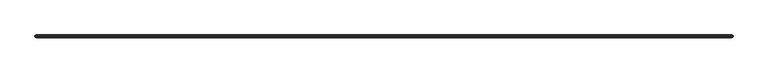
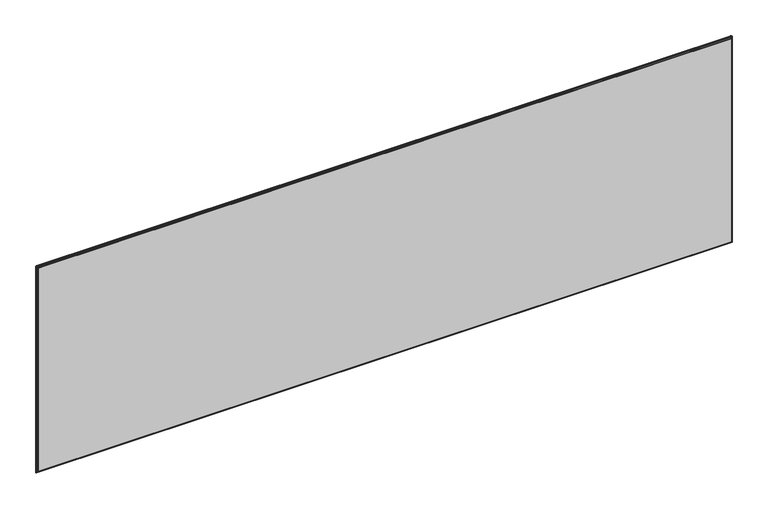
"""IFC4 building model written with IfcOpenShell, lengths in millimetres: furniture geometry."""

from ifc_helpers import new_model, si_unit, frame, origin, place, context, project, spatial, polyline, ellipse_curve, outline, extrude, source, transform, mapped, element, save
from ifc_brep_helpers import plane_surface, cylinder_surface, advanced_brep


def furniture_dd3eaca6(model_context):
    return source(origin(), model_context, "Body", "SolidModel", [
        advanced_brep(
        [(6.4770433, -35.9608478, 1032.9162429), (6.4770433, -42.3108478, 1032.9162429), (6.4770433, -42.3108478, 517.1591915), (6.4770433, -35.9608478, 517.1591915), (2.4130433, -39.7153692, 1034.9959291), (2.4130433, -38.5563263, 1034.9959291), (2.4130433, -38.5563263, 515.0795054), (2.4130433, -39.7153692, 515.0795054), (1669.9229567, -42.3108478, 517.1591915), (1669.9229567, -35.9608478, 517.1591915), (1672.0914783, -38.5563263, 513.0951915), (1672.0914783, -39.7153692, 513.0951915), (4.3085217, -39.7153692, 513.0951915), (4.3085217, -38.5563263, 513.0951915), (1669.9229567, -42.3108478, 1032.9162429), (1669.9229567, -35.9608478, 1032.9162429), (1673.9869567, -38.5563263, 1034.9959291), (1673.9869567, -39.7153692, 1034.9959291), (1673.9869567, -39.7153692, 515.0795054), (1673.9869567, -38.5563263, 515.0795054), (5.6165215, -42.3108478, 516.2986697), (1670.7834785, -42.3108478, 516.2986697), (1670.7834785, -42.3108478, 1033.7767647), (5.6165215, -42.3108478, 1033.7767647), (5.6165215, -35.9608478, 1033.7767647), (1670.7834785, -35.9608478, 1033.7767647), (1670.7834785, -35.9608478, 516.2986697), (5.6165215, -35.9608478, 516.2986697), (4.3085217, -38.5563263, 1036.9802429), (4.3085217, -39.7153692, 1036.9802429), (1672.0914783, -39.7153692, 1036.9802429), (1672.0914783, -38.5563263, 1036.9802429), (3.3646603, -37.0109079, 514.0468086), (3.3646603, -37.0109079, 1036.0286259), (2.9938046, -37.6131746, 513.6759528), (2.9938046, -37.6131746, 1036.3994816), (3.3646603, -41.2607877, 514.0468086), (3.3646603, -41.2607877, 1036.0286259), (2.9938046, -40.6585209, 1036.3994816), (2.9938046, -40.6585209, 513.6759528), (1673.0353397, -37.0109079, 514.0468086), (1673.4061954, -37.6131746, 513.6759528), (1673.0353397, -41.2607877, 514.0468086), (1673.4061954, -40.6585209, 513.6759528), (1673.0353397, -37.0109079, 1036.0286259), (1673.4061954, -37.6131746, 1036.3994816), (1673.0353397, -41.2607877, 1036.0286259), (1673.4061954, -40.6585209, 1036.3994816)],
        [
            (0, 1),
            (1, 2),
            (2, 3),
            (3, 0),
            (4, 5),
            (5, 6),
            (6, 7),
            (7, 4),
            (2, 8),
            (8, 9),
            (9, 3),
            (10, 11),
            (11, 12),
            (12, 13),
            (13, 10),
            (8, 14),
            (14, 15),
            (15, 9),
            (16, 17),
            (17, 18),
            (18, 19),
            (19, 16),
            (20, 21),
            (21, 22),
            (22, 23),
            (23, 20),
            (1, 14),
            (0, 15),
            (24, 25),
            (25, 26),
            (26, 27),
            (27, 24),
            (28, 29),
            (29, 30),
            (30, 31),
            (31, 28),
            (27, 32),
            (32, 33),
            (33, 24),
            (32, 34),
            (34, 6, ellipse_curve(frame((4.3994389, -35.3304359, 515.0795054), z_axis=(-0.8515131025137694, 0.5243333255166744, 0.0), x_axis=(0.5243333255166744, 0.8515131025137693, 0.0)), 3.7884214, 1.9863956)),
            (5, 35, ellipse_curve(frame((4.3994389, -35.3304359, 1034.9959291), z_axis=(-0.8515131025137694, 0.5243333255166744, 0.0), x_axis=(0.5243333255166744, 0.8515131025137693, 0.0)), 3.7884214, 1.9863956)),
            (35, 33),
            (36, 37),
            (37, 38),
            (38, 4, ellipse_curve(frame((4.3994389, -42.9412597, 1034.9959291), z_axis=(-0.8515131025143394, -0.5243333255157487, 0.0), x_axis=(-0.5243333255157487, 0.8515131025143393, 0.0)), 3.7884214, 1.9863956)),
            (7, 39, ellipse_curve(frame((4.3994389, -42.9412597, 515.0795054), z_axis=(-0.8515131025143394, -0.5243333255157487, 0.0), x_axis=(-0.5243333255157487, 0.8515131025143393, 0.0)), 3.7884214, 1.9863956)),
            (39, 36),
            (23, 37),
            (36, 20),
            (26, 40),
            (40, 32),
            (40, 41),
            (41, 10, ellipse_curve(frame((1672.0005611, -35.3338166, 515.0795054), z_axis=(0.0, 0.5243333255167165, -0.8515131025137436), x_axis=(0.0, 0.8515131025137436, 0.5243333255167166)), 3.7884214, 1.9863956)),
            (13, 34, ellipse_curve(frame((4.3994389, -35.3338166, 515.0795054), z_axis=(0.0, 0.5243333255167165, -0.8515131025137436), x_axis=(0.0, 0.8515131025137436, 0.5243333255167166)), 3.7884214, 1.9863956)),
            (42, 36),
            (39, 12, ellipse_curve(frame((4.3994389, -42.937879, 515.0795054), z_axis=(0.0, -0.5243333255157067, -0.8515131025143653), x_axis=(0.0, 0.8515131025143653, -0.5243333255157067)), 3.7884214, 1.9863956)),
            (11, 43, ellipse_curve(frame((1672.0005611, -42.937879, 515.0795054), z_axis=(0.0, -0.5243333255157067, -0.8515131025143653), x_axis=(0.0, 0.8515131025143653, -0.5243333255157067)), 3.7884214, 1.9863956)),
            (43, 42),
            (42, 21),
            (25, 44),
            (44, 40),
            (44, 45),
            (45, 16, ellipse_curve(frame((1672.0005611, -35.3304359, 1034.9959291), z_axis=(0.8515131025137694, 0.5243333255166744, 0.0), x_axis=(-0.5243333255166744, 0.8515131025137693, 0.0)), 3.7884214, 1.9863956)),
            (19, 41, ellipse_curve(frame((1672.0005611, -35.3304359, 515.0795054), z_axis=(0.8515131025137694, 0.5243333255166744, 0.0), x_axis=(-0.5243333255166744, 0.8515131025137693, 0.0)), 3.7884214, 1.9863956)),
            (46, 42),
            (43, 18, ellipse_curve(frame((1672.0005611, -42.9412597, 515.0795054), z_axis=(0.8515131025143394, -0.5243333255157487, 0.0), x_axis=(0.5243333255157487, 0.8515131025143393, 0.0)), 3.7884214, 1.9863956)),
            (17, 47, ellipse_curve(frame((1672.0005611, -42.9412597, 1034.9959291), z_axis=(0.8515131025143394, -0.5243333255157487, 0.0), x_axis=(0.5243333255157487, 0.8515131025143393, 0.0)), 3.7884214, 1.9863956)),
            (47, 46),
            (46, 22),
            (33, 44),
            (35, 28, ellipse_curve(frame((4.3994389, -35.3338166, 1034.9959291), z_axis=(0.0, 0.5243333255166324, 0.8515131025137953), x_axis=(0.0, 0.8515131025137953, -0.5243333255166324)), 3.7884214, 1.9863956)),
            (31, 45, ellipse_curve(frame((1672.0005611, -35.3338166, 1034.9959291), z_axis=(0.0, 0.5243333255166324, 0.8515131025137953), x_axis=(0.0, 0.8515131025137953, -0.5243333255166324)), 3.7884214, 1.9863956)),
            (37, 46),
            (47, 30, ellipse_curve(frame((1672.0005611, -42.937879, 1034.9959291), z_axis=(0.0, -0.5243333255157908, 0.8515131025143136), x_axis=(0.0, 0.8515131025143136, 0.5243333255157908)), 3.7884214, 1.9863956)),
            (29, 38, ellipse_curve(frame((4.3994389, -42.937879, 1034.9959291), z_axis=(0.0, -0.5243333255157908, 0.8515131025143136), x_axis=(0.0, 0.8515131025143136, 0.5243333255157908)), 3.7884214, 1.9863956)),
        ],
        [
            plane_surface(frame((6.4770433, -42.3108478, 1032.9162429), z_axis=(1.0, 0.0, 0.0), x_axis=(0.0, 0.0, -1.0))),
            plane_surface(frame((2.4130433, -38.5563263, 1036.9802429), z_axis=(-1.0, 0.0, 0.0), x_axis=(0.0, 0.0, -1.0))),
            plane_surface(frame((6.4770433, -42.3108478, 517.1591915), z_axis=(0.0, 0.0, 1.0), x_axis=(1.0, 0.0, 0.0))),
            plane_surface(frame((2.4130433, -38.5563263, 513.0951915), z_axis=(0.0, 0.0, -1.0), x_axis=(1.0, 0.0, 0.0))),
            plane_surface(frame((1669.9229567, -42.3108478, 517.1591915), z_axis=(-1.0, 0.0, 0.0), x_axis=(0.0, 0.0, 1.0))),
            plane_surface(frame((1673.9869567, -38.5563263, 513.0951915), z_axis=(1.0, 0.0, 0.0), x_axis=(0.0, 0.0, 1.0))),
            plane_surface(frame((1670.7834785, -42.3108478, 1033.7767647), z_axis=(0.0, -1.0, 0.0), x_axis=(-1.0, 0.0, 0.0))),
            plane_surface(frame((1669.9229567, -42.3108478, 1032.9162429), z_axis=(0.0, 0.0, -1.0), x_axis=(-1.0, 0.0, 0.0))),
            plane_surface(frame((1669.9229567, -35.9608478, 1032.9162429), z_axis=(0.0, 1.0, 0.0), x_axis=(-1.0, 0.0, 0.0))),
            plane_surface(frame((1673.9869567, -38.5563263, 1036.9802429), z_axis=(0.0, 0.0, 1.0), x_axis=(-1.0, 0.0, 0.0))),
            plane_surface(frame((5.6165215, -35.9608478, 1033.7767647), z_axis=(-0.4226182617407205, 0.9063077870366402, 0.0), x_axis=(0.0, 0.0, -1.0))),
            plane_surface(frame((3.3646603, -37.0109079, 1036.0286259), z_axis=(-0.8515131025137694, 0.5243333255166744, 0.0), x_axis=(0.0, 0.0, -1.0))),
            plane_surface(frame((2.4130433, -39.7153692, 1036.9802429), z_axis=(-0.8515131025143394, -0.5243333255157487, 0.0), x_axis=(0.0, 0.0, -1.0))),
            plane_surface(frame((3.3646603, -41.2607877, 1036.0286259), z_axis=(-0.42261826174118133, -0.9063077870364253, 0.0), x_axis=(0.0, 0.0, -1.0))),
            plane_surface(frame((5.6165215, -35.9608478, 516.2986697), z_axis=(0.0, 0.906307787036661, -0.42261826174067574), x_axis=(1.0, 0.0, 0.0))),
            plane_surface(frame((3.3646603, -37.0109079, 514.0468086), z_axis=(0.0, 0.5243333255167165, -0.8515131025137436), x_axis=(1.0, 0.0, 0.0))),
            plane_surface(frame((2.4130433, -39.7153692, 513.0951915), z_axis=(0.0, -0.5243333255157067, -0.8515131025143653), x_axis=(1.0, 0.0, 0.0))),
            plane_surface(frame((3.3646603, -41.2607877, 514.0468086), z_axis=(0.0, -0.9063077870364045, -0.4226182617412261), x_axis=(1.0, 0.0, 0.0))),
            plane_surface(frame((1670.7834785, -35.9608478, 516.2986697), z_axis=(0.4226182617407205, 0.9063077870366402, 0.0), x_axis=(0.0, 0.0, 1.0))),
            plane_surface(frame((1673.0353397, -37.0109079, 514.0468086), z_axis=(0.8515131025137694, 0.5243333255166744, 0.0), x_axis=(0.0, 0.0, 1.0))),
            plane_surface(frame((1673.9869567, -39.7153692, 513.0951915), z_axis=(0.8515131025143394, -0.5243333255157487, 0.0), x_axis=(0.0, 0.0, 1.0))),
            plane_surface(frame((1673.0353397, -41.2607877, 514.0468086), z_axis=(0.42261826174118133, -0.9063077870364253, 0.0), x_axis=(0.0, 0.0, 1.0))),
            plane_surface(frame((1670.7834785, -35.9608478, 1033.7767647), z_axis=(0.0, 0.9063077870366193, 0.4226182617407652), x_axis=(-1.0, 0.0, 0.0))),
            plane_surface(frame((1673.0353397, -37.0109079, 1036.0286259), z_axis=(0.0, 0.5243333255166324, 0.8515131025137953), x_axis=(-1.0, 0.0, 0.0))),
            plane_surface(frame((1673.9869567, -39.7153692, 1036.9802429), z_axis=(0.0, -0.5243333255157908, 0.8515131025143136), x_axis=(-1.0, 0.0, 0.0))),
            plane_surface(frame((1673.0353397, -41.2607877, 1036.0286259), z_axis=(0.0, -0.9063077870364462, 0.4226182617411366), x_axis=(-1.0, 0.0, 0.0))),
            cylinder_surface(frame((4.3994389, -30.0426452, 1034.9959291), z_axis=(0.0, 1.0, 0.0), x_axis=(1.0, 0.0, 0.0)), 1.9863956),
            cylinder_surface(frame((1672.0005611, -30.0426452, 1034.9959291), z_axis=(0.0, 1.0, 0.0), x_axis=(-1.0, 0.0, 0.0)), 1.9863956),
            cylinder_surface(frame((1672.0005611, -30.0426452, 515.0795054), z_axis=(0.0, 1.0, 0.0), x_axis=(-1.0, 0.0, 0.0)), 1.9863956),
            cylinder_surface(frame((4.3994389, -30.0426452, 515.0795054), z_axis=(0.0, 1.0, 0.0), x_axis=(1.0, 0.0, 0.0)), 1.9863956),
        ],
        [
            (0, [[1, 2, 3, 4]]),
            (1, [[5, 6, 7, 8]]),
            (2, [[-3, 9, 10, 11]]),
            (3, [[12, 13, 14, 15]]),
            (4, [[-10, 16, 17, 18]]),
            (5, [[19, 20, 21, 22]]),
            (6, [[23, 24, 25, 26], [-2, 27, -16, -9]]),
            (7, [[-1, 28, -17, -27]]),
            (8, [[29, 30, 31, 32], [-4, -11, -18, -28]]),
            (9, [[33, 34, 35, 36]]),
            (10, [[-32, 37, 38, 39]]),
            (11, [[-38, 40, 41, -6, 42, 43]]),
            (12, [[44, 45, 46, -8, 47, 48]]),
            (13, [[-26, 49, -44, 50]]),
            (14, [[-31, 51, 52, -37]]),
            (15, [[-52, 53, 54, -15, 55, -40]]),
            (16, [[56, -48, 57, -13, 58, 59]]),
            (17, [[-23, -50, -56, 60]]),
            (18, [[-30, 61, 62, -51]]),
            (19, [[-62, 63, 64, -22, 65, -53]]),
            (20, [[66, -59, 67, -20, 68, 69]]),
            (21, [[-24, -60, -66, 70]]),
            (22, [[-29, -39, 71, -61]]),
            (23, [[-71, -43, 72, -36, 73, -63]]),
            (24, [[74, -69, 75, -34, 76, -45]]),
            (25, [[-25, -70, -74, -49]]),
            (26, [[-5, -46, -76, -33, -72, -42]]),
            (27, [[-19, -64, -73, -35, -75, -68]]),
            (28, [[-12, -54, -65, -21, -67, -58]]),
            (29, [[-7, -41, -55, -14, -57, -47]]),
        ],
    ),
        extrude(outline(polyline([(1669.9229567, -42.3108478), (6.4770433, -42.3108478), (6.4770433, -35.9608478), (1669.9229567, -35.9608478), (1669.9229567, -42.3108478)])), frame((0.0, 0.0, 517.1591915), z_axis=(0.0, 0.0, 1.0), x_axis=(1.0, 0.0, 0.0)), (0.0, 0.0, 1.0), 515.7570514),
    ])


if __name__ == "__main__":
    model = new_model("IFC4")
    model_context = context("Model", 3, world=origin())
    ifc_project = project(units=[si_unit("LENGTHUNIT", "METRE", prefix="MILLI")], contexts=[model_context])
    site = spatial("IfcSite", under=ifc_project)
    building = spatial("IfcBuilding", under=site)
    placement = place(None, origin())
    furniture_shape = furniture_dd3eaca6(model_context)
    element("IfcFurniture", 1, at=placement, inside=building, context=model_context, shape_type="MappedRepresentation", body=[
        mapped(furniture_shape, transform((0.0, 0.0, 0.0), x_axis=(1.0, 0.0, 0.0), y_axis=(0.0, 1.0, 0.0), z_axis=(0.0, 0.0, 1.0))),
    ])
    save(model, "model.ifc")
